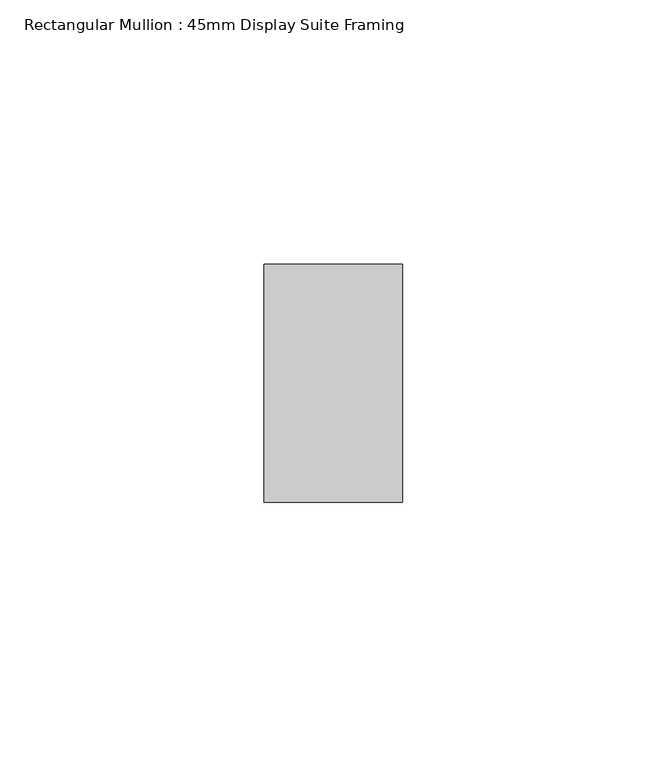
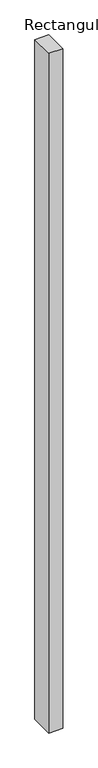
"""IFC4 building model written with IfcOpenShell, lengths in millimetres: member geometry, Rectangular Mullion : 45mm Display Suite Framing."""

from ifc_helpers import new_model, si_unit, frame, origin, place, context, project, spatial, polyline, outline, extrude, source, transform, mapped, element, save


def rectangular_mullion_45mm_display_suite_framing_84701181(model_context):
    return source(origin(), model_context, "Body", "SweptSolid", [
        extrude(outline(polyline([(0.0, 22.5), (0.0, -22.5), (-26.2, -22.5), (-26.2, 22.5), (0.0, 22.5)])), frame((0.0, 0.0, -1340.0), z_axis=(0.0, 0.0, 1.0), x_axis=(1.0, 0.0, 0.0)), (0.0, 0.0, 1.0), 1340.0),
    ])


if __name__ == "__main__":
    model = new_model("IFC4")
    model_context = context("Model", 3, world=origin())
    ifc_project = project(units=[si_unit("LENGTHUNIT", "METRE", prefix="MILLI")], contexts=[model_context])
    site = spatial("IfcSite", under=ifc_project)
    building = spatial("IfcBuilding", under=site)
    placement = place(None, origin())
    rectangular_mullion_45mm_display_suite_framing_shape = rectangular_mullion_45mm_display_suite_framing_84701181(model_context)
    element("IfcMember", 1, ObjectType="Rectangular Mullion : 45mm Display Suite Framing", at=placement, inside=building, context=model_context, shape_type="MappedRepresentation", body=[
        mapped(rectangular_mullion_45mm_display_suite_framing_shape, transform((0.0, 0.0, 0.0), x_axis=(1.0, 0.0, 0.0), y_axis=(0.0, 1.0, 0.0), z_axis=(0.0, 0.0, 1.0))),
    ])
    save(model, "model.ifc")
